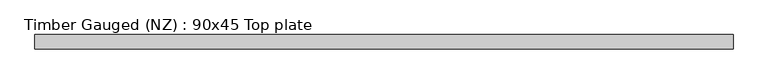
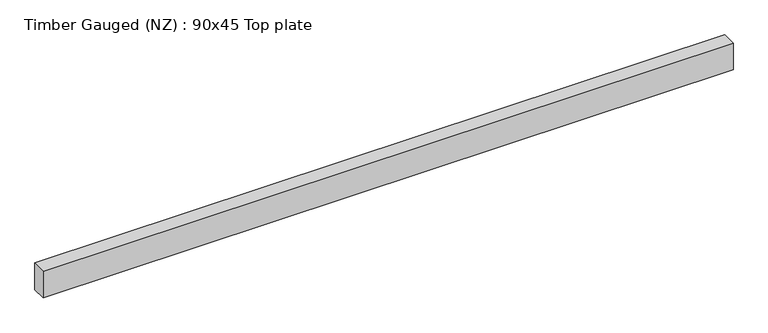
"""IFC4 building model written with IfcOpenShell, lengths in millimetres: beam geometry, Timber Gauged (NZ) : 90x45 Top plate."""

from ifc_helpers import new_model, si_unit, frame, origin, place, context, project, spatial, polyline, outline, extrude, source, transform, mapped, element, save


def timber_gauged_nz_90x45_top_plate_3533c573(model_context):
    return source(origin(), model_context, "Body", "SweptSolid", [
        extrude(outline(polyline([(1100.0, 22.5), (1100.0, -22.5), (-1100.0, -22.5), (-1100.0, 22.5), (1100.0, 22.5)])), frame((0.0, 0.0, -45.0), z_axis=(0.0, 0.0, 1.0), x_axis=(1.0, 0.0, 0.0)), (0.0, 0.0, 1.0), 90.0),
    ])


if __name__ == "__main__":
    model = new_model("IFC4")
    model_context = context("Model", 3, world=origin())
    ifc_project = project(units=[si_unit("LENGTHUNIT", "METRE", prefix="MILLI")], contexts=[model_context])
    site = spatial("IfcSite", under=ifc_project)
    building = spatial("IfcBuilding", under=site)
    placement = place(None, origin())
    timber_gauged_nz_90x45_top_plate_shape = timber_gauged_nz_90x45_top_plate_3533c573(model_context)
    element("IfcBeam", 1, ObjectType="Timber Gauged (NZ) : 90x45 Top plate", at=placement, inside=building, context=model_context, shape_type="MappedRepresentation", body=[
        mapped(timber_gauged_nz_90x45_top_plate_shape, transform((0.0, 0.0, 0.0), x_axis=(1.0, 0.0, 0.0), y_axis=(0.0, 1.0, 0.0), z_axis=(0.0, 0.0, 1.0))),
    ])
    save(model, "model.ifc")
